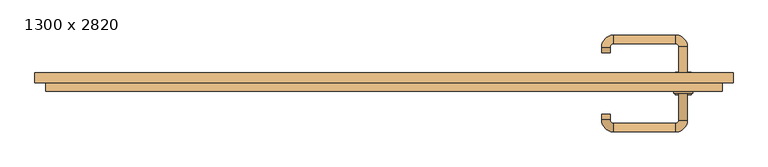
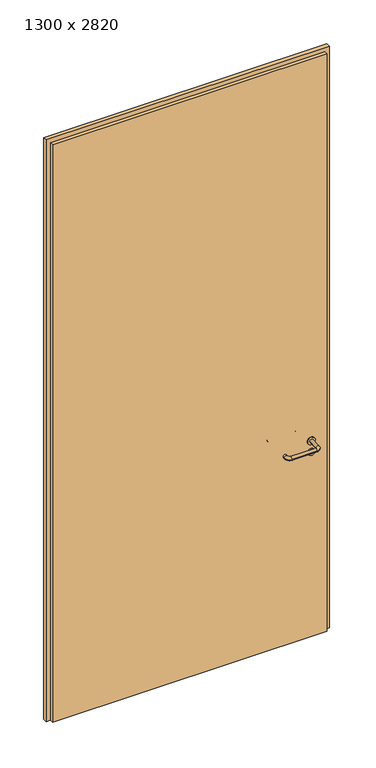
"""IFC4 building model written with IfcOpenShell, lengths in millimetres: door geometry, 1300 x 2820."""

from ifc_helpers import new_model, si_unit, point, frame, frame_2d, origin, origin_with_axes, place, context, project, spatial, polyline, circle_curve, ellipse_curve, trimmed, segment, composite_curve, outline, extrude, source, transform, mapped, element, save
from ifc_brep_helpers import plane_surface, cylinder_surface, revolved_surface, advanced_brep


def door_1300_x_2820_b8fd16ab(model_context):
    return source(origin(), model_context, "Body", "SolidModel", [
        extrude(outline(composite_curve([segment(trimmed(circle_curve(frame_2d((897.3605726, 557.0)), 15.0), [point((897.3605726, 572.0))], [point((897.3605726, 542.0))], False, "CARTESIAN"), True, "CONTINUOUS"), segment(trimmed(circle_curve(frame_2d((897.3605726, 557.0)), 15.0), [point((897.3605726, 542.0))], [point((897.3605726, 572.0))], False, "CARTESIAN"), True, "CONTINUOUS")], self_intersect=False), holes=[composite_curve([segment(trimmed(circle_curve(frame_2d((892.5833211, 556.9398032)), 2.0), [point((892.5833211, 558.9398032))], [point((892.5833211, 554.9398032))], True, "CARTESIAN"), True, "CONTINUOUS"), segment(polyline([(892.5833211, 554.9398032), (902.5833211, 554.9398032)]), True, "CONTINUOUS"), segment(trimmed(circle_curve(frame_2d((902.5833211, 556.9398032)), 2.0), [point((902.5833211, 554.9398032))], [point((902.5833211, 558.9398032))], True, "CARTESIAN"), True, "CONTINUOUS"), segment(polyline([(902.5833211, 558.9398032), (892.5833211, 558.9398032)]), True, "CONTINUOUS")], self_intersect=False)]), frame((0.0, -31.35, 0.0), z_axis=(0.0, 1.0, 0.0), x_axis=(0.0, 0.0, 1.0)), (0.0, 0.0, 1.0), 6.35),
        extrude(outline(composite_curve([segment(trimmed(circle_curve(frame_2d((950.0, 557.0)), 17.526), [point((950.0, 574.526))], [point((950.0, 539.474))], False, "CARTESIAN"), True, "CONTINUOUS"), segment(trimmed(circle_curve(frame_2d((950.0, 557.0)), 17.526), [point((950.0, 539.474))], [point((950.0, 574.526))], False, "CARTESIAN"), True, "CONTINUOUS")], self_intersect=False)), frame((0.0, -28.175, 0.0), z_axis=(0.0, 1.0, 0.0), x_axis=(0.0, 0.0, 1.0)), (0.0, 0.0, 1.0), 3.175),
        advanced_brep(
        [(565.0, -25.0, 950.0), (549.0, -25.0, 950.0), (549.0, -78.0, 950.0), (565.0, -78.0, 950.0), (542.8578644, -84.1421356, 950.0), (542.8578644, -100.1421356, 950.0), (427.8578644, -84.1421356, 950.0), (427.8578644, -100.1421356, 950.0), (421.008622, -77.2928932, 950.0), (405.008622, -77.2928932, 950.0), (405.008622, -67.2928932, 950.0), (421.008622, -67.2928932, 950.0)],
        [
            (0, 1, circle_curve(frame((557.0, -25.0, 950.0), z_axis=(0.0, 1.0, 0.0), x_axis=(-1.0, 0.0, 0.0)), 8.0)),
            (1, 0, circle_curve(frame((557.0, -25.0, 950.0), z_axis=(0.0, 1.0, 0.0), x_axis=(-1.0, 0.0, 0.0)), 8.0)),
            (1, 2),
            (2, 3, circle_curve(frame((557.0, -78.0, 950.0), z_axis=(0.0, 1.0, 0.0), x_axis=(-1.0, 0.0, 0.0)), 8.0)),
            (3, 0),
            (3, 2, circle_curve(frame((557.0, -78.0, 950.0), z_axis=(0.0, 1.0, 0.0), x_axis=(-1.0, 0.0, 0.0)), 8.0)),
            (4, 5, circle_curve(frame((542.8578644, -92.1421356, 950.0), z_axis=(1.0, 0.0, 0.0), x_axis=(0.0, 1.0, 0.0)), 8.0)),
            (5, 3, circle_curve(frame((542.8578644, -78.0, 950.0), z_axis=(0.0, 0.0, 1.0), x_axis=(1.0, 0.0, 0.0)), 22.1421356)),
            (2, 4, circle_curve(frame((542.8578644, -78.0, 950.0), z_axis=(0.0, 0.0, -1.0), x_axis=(1.0, 0.0, 0.0)), 6.1421356)),
            (5, 4, circle_curve(frame((542.8578644, -92.1421356, 950.0), z_axis=(1.0, 0.0, 0.0), x_axis=(0.0, 1.0, 0.0)), 8.0)),
            (4, 6),
            (6, 7, circle_curve(frame((427.8578644, -92.1421356, 950.0), z_axis=(1.0, 0.0, 0.0), x_axis=(0.0, 1.0, 0.0)), 8.0)),
            (7, 5),
            (7, 6, circle_curve(frame((427.8578644, -92.1421356, 950.0), z_axis=(1.0, 0.0, 0.0), x_axis=(0.0, 1.0, 0.0)), 8.0)),
            (8, 9, circle_curve(frame((413.008622, -77.2928932, 950.0), z_axis=(0.0, -1.0, 0.0), x_axis=(1.0, 0.0, 0.0)), 8.0)),
            (9, 7, circle_curve(frame((427.8578644, -77.2928932, 950.0), z_axis=(0.0, 0.0, 1.0), x_axis=(0.0, -1.0, 0.0)), 22.8492424)),
            (6, 8, circle_curve(frame((427.8578644, -77.2928932, 950.0), z_axis=(0.0, 0.0, -1.0), x_axis=(0.0, -1.0, 0.0)), 6.8492424)),
            (9, 8, circle_curve(frame((413.008622, -77.2928932, 950.0), z_axis=(0.0, -1.0, 0.0), x_axis=(1.0, 0.0, 0.0)), 8.0)),
            (10, 11, circle_curve(frame((413.008622, -67.2928932, 950.0), z_axis=(0.0, 1.0, 0.0), x_axis=(1.0, 0.0, 0.0)), 8.0)),
            (11, 10, circle_curve(frame((413.008622, -67.2928932, 950.0), z_axis=(0.0, 1.0, 0.0), x_axis=(1.0, 0.0, 0.0)), 8.0)),
            (8, 11),
            (10, 9),
        ],
        [
            plane_surface(frame((557.0, -25.0, 0.0), z_axis=(0.0, 1.0, 0.0), x_axis=(0.0, 0.0, 1.0))),
            cylinder_surface(frame((557.0, -25.0, 950.0), z_axis=(0.0, 1.0, 0.0), x_axis=(-1.0, 0.0, 0.0)), 8.0),
            revolved_surface(trimmed(ellipse_curve(frame((557.0, -78.0, 950.0), z_axis=(0.0, -1.0, 0.0), x_axis=(-1.0, 0.0, 0.0)), 8.0, 8.0), [point((565.0, -78.0, 950.0))], [point((549.0, -78.0, 950.0))], True, "CARTESIAN"), (542.8578644, -78.0, 0.0), (0.0, 0.0, 1.0)),
            revolved_surface(trimmed(ellipse_curve(frame((557.0, -78.0, 950.0), z_axis=(0.0, -1.0, 0.0), x_axis=(-1.0, 0.0, 0.0)), 8.0, 8.0), [point((549.0, -78.0, 950.0))], [point((565.0, -78.0, 950.0))], True, "CARTESIAN"), (542.8578644, -78.0, 0.0), (0.0, 0.0, 1.0)),
            cylinder_surface(frame((542.8578644, -92.1421356, 950.0), z_axis=(1.0, 0.0, 0.0), x_axis=(0.0, 1.0, 0.0)), 8.0),
            revolved_surface(trimmed(ellipse_curve(frame((427.8578644, -92.1421356, 950.0), z_axis=(-1.0, 0.0, 0.0), x_axis=(0.0, 1.0, 0.0)), 8.0, 8.0), [point((427.8578644, -100.1421356, 950.0))], [point((427.8578644, -84.1421356, 950.0))], True, "CARTESIAN"), (427.8578644, -77.2928932, 0.0), (0.0, 0.0, 1.0)),
            revolved_surface(trimmed(ellipse_curve(frame((427.8578644, -92.1421356, 950.0), z_axis=(-1.0, 0.0, 0.0), x_axis=(0.0, 1.0, 0.0)), 8.0, 8.0), [point((427.8578644, -84.1421356, 950.0))], [point((427.8578644, -100.1421356, 950.0))], True, "CARTESIAN"), (427.8578644, -77.2928932, 0.0), (0.0, 0.0, 1.0)),
            plane_surface(frame((413.008622, -67.2928932, 0.0), z_axis=(0.0, 1.0, 0.0), x_axis=(0.0, 0.0, 1.0))),
            cylinder_surface(frame((413.008622, -77.2928932, 950.0), z_axis=(0.0, -1.0, 0.0), x_axis=(1.0, 0.0, 0.0)), 8.0),
        ],
        [
            (0, [[1, 2]]),
            (1, [[3, 4, 5, -2]]),
            (1, [[-5, 6, -3, -1]]),
            (2, [[7, 8, -4, 9]]),
            (3, [[10, -9, -6, -8]]),
            (4, [[11, 12, 13, -7]]),
            (4, [[-13, 14, -11, -10]]),
            (5, [[15, 16, -12, 17]]),
            (6, [[18, -17, -14, -16]]),
            (7, [[19, 20]]),
            (8, [[21, -19, 22, -15]]),
            (8, [[-22, -20, -21, -18]]),
        ],
    ),
        extrude(outline(composite_curve([segment(trimmed(circle_curve(frame_2d((0.0, -15.0)), 15.0), [point((0.0, -30.0))], [point((0.0, 0.0))], False, "CARTESIAN"), True, "CONTINUOUS"), segment(trimmed(circle_curve(frame_2d((0.0, -15.0)), 15.0), [point((0.0, 0.0))], [point((0.0, -30.0))], False, "CARTESIAN"), True, "CONTINUOUS")], self_intersect=False), holes=[composite_curve([segment(trimmed(circle_curve(frame_2d((4.7772515, -14.9398032)), 2.0), [point((4.7772515, -16.9398032))], [point((4.7772515, -12.9398032))], True, "CARTESIAN"), True, "CONTINUOUS"), segment(polyline([(4.7772515, -12.9398032), (-5.2227485, -12.9398032)]), True, "CONTINUOUS"), segment(trimmed(circle_curve(frame_2d((-5.2227485, -14.9398032)), 2.0), [point((-5.2227485, -12.9398032))], [point((-5.2227485, -16.9398032))], True, "CARTESIAN"), True, "CONTINUOUS"), segment(polyline([(-5.2227485, -16.9398032), (4.7772515, -16.9398032)]), True, "CONTINUOUS")], self_intersect=False)]), frame((542.0, 5.0, 897.3605726), z_axis=(1.8870575173328306e-12, 1.0, 0.0), x_axis=(0.0, 0.0, -1.0)), (0.0, 0.0, 1.0), 6.35),
        extrude(outline(composite_curve([segment(trimmed(circle_curve(frame_2d((0.0, -17.526)), 17.526), [point((0.0, -35.052))], [point((0.0, 0.0))], False, "CARTESIAN"), True, "CONTINUOUS"), segment(trimmed(circle_curve(frame_2d((0.0, -17.526)), 17.526), [point((0.0, 0.0))], [point((0.0, -35.052))], False, "CARTESIAN"), True, "CONTINUOUS")], self_intersect=False)), frame((539.474, 5.0, 950.0), z_axis=(1.8870575173328306e-12, 1.0, 0.0), x_axis=(0.0, 0.0, -1.0)), (0.0, 0.0, 1.0), 3.175),
        advanced_brep(
        [(565.0, 5.0, 950.0), (549.0, 5.0, 950.0), (565.0, 58.0, 950.0), (549.0, 58.0, 950.0), (542.8578644, 64.1421356, 950.0), (542.8578644, 80.1421356, 950.0), (427.8578644, 80.1421356, 950.0), (427.8578644, 64.1421356, 950.0), (421.008622, 57.2928932, 950.0), (405.008622, 57.2928932, 950.0), (405.008622, 47.2928932, 950.0), (421.008622, 47.2928932, 950.0)],
        [
            (0, 1, circle_curve(frame((557.0, 5.0, 950.0), z_axis=(-1.888672253512351e-12, -1.0, 0.0), x_axis=(-1.0, 1.888672253512351e-12, 0.0)), 8.0)),
            (1, 0, circle_curve(frame((557.0, 5.0, 950.0), z_axis=(-1.888672253512351e-12, -1.0, 0.0), x_axis=(-1.0, 1.888672253512351e-12, 0.0)), 8.0)),
            (0, 2),
            (2, 3, circle_curve(frame((557.0, 58.0, 950.0), z_axis=(-1.888672253512351e-12, -1.0, 0.0), x_axis=(-1.0, 1.888672253512351e-12, 0.0)), 8.0)),
            (3, 1),
            (3, 2, circle_curve(frame((557.0, 58.0, 950.0), z_axis=(-1.888672253512351e-12, -1.0, 0.0), x_axis=(-1.0, 1.888672253512351e-12, 0.0)), 8.0)),
            (4, 3, circle_curve(frame((542.8578644, 58.0, 950.0), z_axis=(0.0, 0.0, -1.0), x_axis=(1.0, -1.880717803715015e-12, 0.0)), 6.1421356)),
            (2, 5, circle_curve(frame((542.8578644, 58.0, 950.0), z_axis=(0.0, 0.0, 1.0), x_axis=(1.0, -1.880717803715015e-12, 0.0)), 22.1421356)),
            (5, 4, circle_curve(frame((542.8578644, 72.1421356, 950.0), z_axis=(1.0, -1.913702061528922e-12, 0.0), x_axis=(-1.913702061528922e-12, -1.0, 0.0)), 8.0)),
            (4, 5, circle_curve(frame((542.8578644, 72.1421356, 950.0), z_axis=(1.0, -1.913702061528922e-12, 0.0), x_axis=(-1.913702061528922e-12, -1.0, 0.0)), 8.0)),
            (5, 6),
            (6, 7, circle_curve(frame((427.8578644, 72.1421356, 950.0), z_axis=(1.0, -1.913719828541269e-12, 0.0), x_axis=(-1.913719828541269e-12, -1.0, 0.0)), 8.0)),
            (7, 4),
            (7, 6, circle_curve(frame((427.8578644, 72.1421356, 950.0), z_axis=(1.0, -1.913719828541269e-12, 0.0), x_axis=(-1.913719828541269e-12, -1.0, 0.0)), 8.0)),
            (8, 7, circle_curve(frame((427.8578644, 57.2928932, 950.0), z_axis=(0.0, 0.0, -1.0), x_axis=(1.9120873253494017e-12, 1.0, 0.0)), 6.8492424)),
            (6, 9, circle_curve(frame((427.8578644, 57.2928932, 950.0), z_axis=(0.0, 0.0, 1.0), x_axis=(1.9120873253494017e-12, 1.0, 0.0)), 22.8492424)),
            (9, 8, circle_curve(frame((413.008622, 57.2928932, 950.0), z_axis=(1.890448610351751e-12, 1.0, 0.0), x_axis=(1.0, -1.890448610351751e-12, 0.0)), 8.0)),
            (8, 9, circle_curve(frame((413.008622, 57.2928932, 950.0), z_axis=(1.8888942981172756e-12, 1.0, 0.0), x_axis=(1.0, -1.8888942981172756e-12, 0.0)), 8.0)),
            (10, 11, circle_curve(frame((413.008622, 47.2928932, 950.0), z_axis=(-1.8903642334018795e-12, -1.0, 0.0), x_axis=(1.0, -1.8903642334018795e-12, 0.0)), 8.0)),
            (11, 10, circle_curve(frame((413.008622, 47.2928932, 950.0), z_axis=(-1.8903642334018795e-12, -1.0, 0.0), x_axis=(1.0, -1.8903642334018795e-12, 0.0)), 8.0)),
            (9, 10),
            (11, 8),
        ],
        [
            plane_surface(frame((557.0, 5.0, 0.0), z_axis=(-1.8870575173328306e-12, -1.0, 0.0), x_axis=(0.0, 0.0, 1.0))),
            cylinder_surface(frame((557.0, 5.0, 950.0), z_axis=(-1.888672253512351e-12, -1.0, 0.0), x_axis=(-1.0, 1.888672253512351e-12, 0.0)), 8.0),
            revolved_surface(trimmed(ellipse_curve(frame((557.0, 58.0, 950.0), z_axis=(-1.8823325398945356e-12, -1.0, 0.0), x_axis=(-1.0, 1.8823325398945356e-12, 0.0)), 8.0, 8.0), [point((565.0, 58.0, 950.0))], [point((549.0, 58.0, 950.0))], True, "CARTESIAN"), (542.8578644, 58.0, 0.0), (0.0, 0.0, 1.0)),
            revolved_surface(trimmed(ellipse_curve(frame((557.0, 58.0, 950.0), z_axis=(-1.8823325398945356e-12, -1.0, 0.0), x_axis=(-1.0, 1.8823325398945356e-12, 0.0)), 8.0, 8.0), [point((549.0, 58.0, 950.0))], [point((565.0, 58.0, 950.0))], True, "CARTESIAN"), (542.8578644, 58.0, 0.0), (0.0, 0.0, 1.0)),
            cylinder_surface(frame((542.8578644, 72.1421356, 950.0), z_axis=(1.0, -1.913719828541269e-12, 0.0), x_axis=(-1.913719828541269e-12, -1.0, 0.0)), 8.0),
            revolved_surface(trimmed(ellipse_curve(frame((427.8578644, 72.1421356, 950.0), z_axis=(1.0, -1.913702061528922e-12, 0.0), x_axis=(-1.913702061528922e-12, -1.0, 0.0)), 8.0, 8.0), [point((427.8578644, 80.1421356, 950.0))], [point((427.8578644, 64.1421356, 950.0))], True, "CARTESIAN"), (427.8578644, 57.2928932, 0.0), (0.0, 0.0, 1.0)),
            revolved_surface(trimmed(ellipse_curve(frame((427.8578644, 72.1421356, 950.0), z_axis=(1.0, -1.913702061528922e-12, 0.0), x_axis=(-1.913702061528922e-12, -1.0, 0.0)), 8.0, 8.0), [point((427.8578644, 64.1421356, 950.0))], [point((427.8578644, 80.1421356, 950.0))], True, "CARTESIAN"), (427.8578644, 57.2928932, 0.0), (0.0, 0.0, 1.0)),
            plane_surface(frame((413.008622, 47.2928932, 0.0), z_axis=(-1.8887494972223595e-12, -1.0, 0.0), x_axis=(0.0, 0.0, 1.0))),
            cylinder_surface(frame((413.008622, 57.2928932, 950.0), z_axis=(1.8903642334018795e-12, 1.0, 0.0), x_axis=(1.0, -1.8903642334018795e-12, 0.0)), 8.0),
        ],
        [
            (0, [[1, 2]]),
            (1, [[-1, 3, 4, 5]]),
            (1, [[-2, -5, 6, -3]]),
            (2, [[7, -4, 8, 9]]),
            (3, [[-8, -6, -7, 10]]),
            (4, [[-9, 11, 12, 13]]),
            (4, [[-10, -13, 14, -11]]),
            (5, [[15, -12, 16, 17]]),
            (6, [[-16, -14, -15, 18]]),
            (7, [[19, 20]]),
            (8, [[-17, 21, -20, 22]]),
            (8, [[-18, -22, -19, -21]]),
        ],
    ),
        extrude(outline(polyline([(2800.0, 630.0), (0.0, 630.0), (0.0, 650.0), (2820.0, 650.0), (2820.0, -650.0), (0.0, -650.0), (0.0, -630.0), (2800.0, -630.0), (2800.0, 630.0)])), frame((0.0, -9.0, 0.0), z_axis=(0.0, 1.0, 0.0), x_axis=(0.0, 0.0, 1.0)), (0.0, 0.0, 1.0), 19.0),
        extrude(outline(polyline([(-630.0, 5.0), (630.0, 5.0), (630.0, -25.0), (-630.0, -25.0), (-630.0, 5.0)])), origin_with_axes(), (0.0, 0.0, 1.0), 2800.0),
    ])


if __name__ == "__main__":
    model = new_model("IFC4")
    model_context = context("Model", 3, world=origin())
    ifc_project = project(units=[si_unit("LENGTHUNIT", "METRE", prefix="MILLI")], contexts=[model_context])
    site = spatial("IfcSite", under=ifc_project)
    building = spatial("IfcBuilding", under=site)
    placement = place(None, origin())
    door_1300_x_2820_shape = door_1300_x_2820_b8fd16ab(model_context)
    element("IfcDoor", 1, ObjectType="1300 x 2820", at=placement, inside=building, context=model_context, shape_type="MappedRepresentation", body=[
        mapped(door_1300_x_2820_shape, transform((0.0, 0.0, 0.0), x_axis=(1.0, 0.0, 0.0), y_axis=(0.0, 1.0, 0.0), z_axis=(0.0, 0.0, 1.0))),
    ])
    save(model, "model.ifc")
